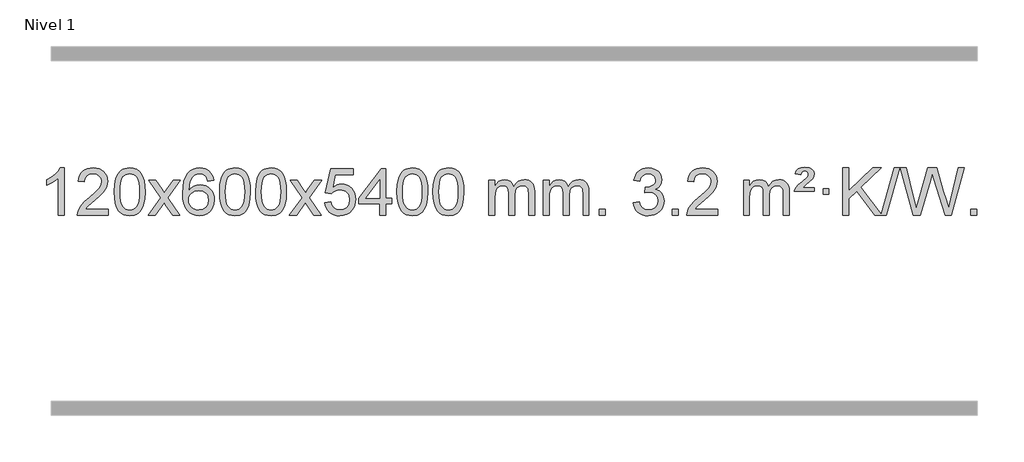
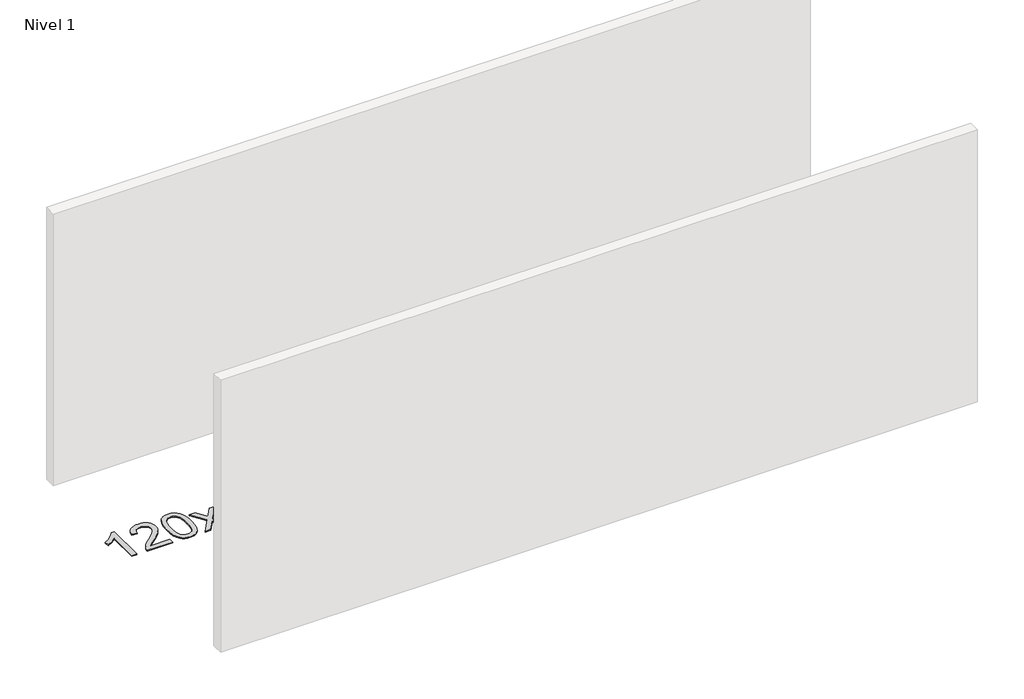
# One storey, part 12 of 21: 1 proxy.
"""IFC4 building model written with IfcOpenShell, lengths in millimetres."""

from ifc_helpers import new_model, si_unit, origin, origin_with_axes, place, context, project, spatial, polyline, outline, extrude, element, save

model = new_model("IFC4")

# Units and contexts
model_context = context("Model", 3, world=origin())
ifc_project = project(units=[si_unit("LENGTHUNIT", "METRE", prefix="MILLI")], contexts=[model_context])

# Site, building, storey
site = spatial("IfcSite", under=ifc_project)
building = spatial("IfcBuilding", under=site)
storey = spatial("IfcBuildingStorey", under=building, Name="Nivel 1", Elevation=0.0)

# Proxy
placement = place(None, origin())
element("IfcBuildingElementProxy", 1, Name="Texto de modelo 1", ObjectType="Texto de modelo 1", at=placement, inside=storey, context=model_context, shape_type="SweptSolid", body=[
    extrude(outline(polyline([(-121.6378538, -21555.579453), (-171.8660089, -21555.579453), (-171.8660089, -21242.4382987), (-192.8352826, -21259.3976587), (-219.4454136, -21276.3324932), (-272.3223191, -21301.6918254), (-272.3223191, -21254.2105225), (-232.8731065, -21232.7507395), (-198.6968691, -21207.219729), (-171.7556443, -21180.0700378), (-154.0114694, -21153.7542124), (-121.6378538, -21153.7542124), (-121.6378538, -21555.579453)])), origin_with_axes(), (0.0, 0.0, 1.0), 10.0),
    extrude(outline(polyline([(255.0733092, -21505.3512979), (255.0733092, -21555.579453), (-8.6245049, -21555.579453), (-7.5208589, -21537.8965918), (-3.2289023, -21520.9494945), (9.1564582, -21493.8856424), (27.2807778, -21467.6311307), (53.4985013, -21440.1503456), (90.1640735, -21409.4076736), (144.3653541, -21361.2641831), (176.8861225, -21325.7267824), (193.1465067, -21296.884834), (198.5666348, -21268.8277005), (193.453075, -21243.6768347), (178.1123958, -21222.7688747), (154.5311599, -21208.6789943), (124.6959301, -21203.9823675), (93.3646469, -21208.5686297), (69.0231215, -21222.3274163), (53.3145603, -21244.1796068), (47.8821695, -21273.0460807), (-2.3459855, -21266.7675613), (1.9735622, -21240.838012), (9.8309085, -21218.1826125), (21.2260533, -21198.8013627), (36.1589966, -21182.6942627), (54.2863819, -21170.0329907), (75.2648527, -21160.989225), (99.0944089, -21155.5629655), (125.7750506, -21153.7542124), (152.6948156, -21155.7653006), (176.6531306, -21161.7985654), (197.6499954, -21171.8540066), (215.6854103, -21185.9316242), (230.1707638, -21202.9890861), (240.5174449, -21221.9840598), (246.7254536, -21242.9165453), (248.7947898, -21265.7865427), (246.5629724, -21289.8092369), (239.8675201, -21313.4149983), (227.9849316, -21337.4254299), (210.1917058, -21362.6621347), (181.828004, -21392.7916701), (138.2339875, -21431.4805933), (80.4519888, -21479.795762), (57.7904579, -21505.3512979), (255.0733092, -21505.3512979)])), origin_with_axes(), (0.0, 0.0, 1.0), 10.0),
    extrude(outline(polyline([(305.3014643, -21357.9041943), (308.992547, -21293.5861588), (320.065795, -21242.2911459), (338.4108439, -21203.2343407), (350.2689068, -21188.0009605), (363.9173289, -21175.6309284), (379.4020952, -21166.0598651), (396.769191, -21159.2233914), (437.1503714, -21153.7542124), (468.1015099, -21156.991574), (495.8152869, -21166.7036586), (518.9918526, -21182.5103217), (536.3313573, -21204.0314184), (549.4279563, -21231.0830078), (559.8758049, -21263.4811488), (566.7184101, -21304.6226186), (568.9992784, -21357.9041943), (565.3449839, -21421.8543477), (554.3821005, -21473.0267333), (536.1474163, -21512.1203266), (524.3169444, -21527.3996922), (510.6777195, -21539.8341036), (495.174559, -21549.4695462), (477.7522809, -21556.3520052), (437.1503714, -21561.8579724), (409.4856453, -21559.4667394), (384.960179, -21552.2930405), (363.5739723, -21540.3368757), (345.3270254, -21523.5982449), (327.8158424, -21493.3399508), (315.3078546, -21455.6381776), (307.8030619, -21410.4929255), (305.3014643, -21357.9041943)]), holes=[polyline([(355.5296194, -21357.8060924), (357.0011473, -21401.4706195), (361.4157313, -21436.8148822), (368.7733712, -21463.8388804), (379.0740671, -21482.5426142), (391.533004, -21495.2682656), (405.365367, -21504.3580165), (420.5711561, -21509.8118671), (437.1503714, -21511.6298173), (453.7295866, -21509.8057357), (468.9353757, -21504.3334911), (482.7677388, -21495.2130833), (495.2266757, -21482.4445124), (505.5273715, -21463.7101217), (512.8850114, -21436.6922549), (517.2995954, -21401.3909118), (518.7711234, -21357.8060924), (517.3486463, -21315.2973278), (513.0812152, -21280.5753989), (505.9688299, -21253.6403055), (496.0114906, -21234.4920476), (483.7610201, -21221.1440625), (469.7692416, -21211.6097875), (454.0361549, -21205.8892225), (436.5617602, -21203.9823675), (420.068384, -21205.6623619), (405.1201123, -21210.7023452), (391.716945, -21219.1023175), (379.858882, -21230.8622786), (369.2148296, -21251.708925), (361.611935, -21279.8151094), (357.0501983, -21315.1808319), (355.5296194, -21357.8060924)])]), origin_with_axes(), (0.0, 0.0, 1.0), 10.0),
    extrude(outline(polyline([(594.113356, -21555.579453), (701.4367967, -21407.2494325), (600.3918754, -21260.4890419), (660.8226244, -21260.4890419), (709.5792515, -21331.122385), (732.3388843, -21364.4770192), (752.0573592, -21337.2047007), (807.583015, -21260.4890419), (868.0137641, -21260.4890419), (761.8675458, -21407.2494325), (864.0896895, -21555.579453), (803.6589404, -21555.579453), (742.1490708, -21466.4048574), (730.8673563, -21450.1199477), (654.544105, -21555.579453), (594.113356, -21555.579453)])), origin_with_axes(), (0.0, 0.0, 1.0), 10.0),
    extrude(outline(polyline([(1152.9015812, -21260.4890419), (1102.6734261, -21266.7675613), (1094.5800222, -21241.874213), (1083.6416642, -21224.8780648), (1060.857506, -21209.2062918), (1033.3154073, -21203.9823675), (1009.9671633, -21207.0235253), (987.9923455, -21216.1469988), (969.1199991, -21235.3627017), (953.7057435, -21261.8134171), (943.2946831, -21299.227016), (939.4319221, -21351.3313693), (959.5795927, -21327.8237098), (983.7249143, -21311.2567573), (1010.5189863, -21301.434308), (1038.612908, -21298.1601582), (1062.7459669, -21300.398107), (1085.0150903, -21307.1119534), (1105.4202783, -21318.3016975), (1123.9615309, -21333.9673391), (1139.3696551, -21353.1769106), (1150.3754581, -21374.9984443), (1156.97894, -21399.4319401), (1159.1801006, -21426.4773982), (1155.0352967, -21462.4439945), (1142.6008853, -21495.786366), (1122.9069358, -21524.0642287), (1096.9835179, -21544.8372987), (1066.0078539, -21557.602804), (1031.1571662, -21561.8579724), (1001.2146375, -21559.0375437), (974.1722452, -21550.5762579), (950.0299893, -21536.4741147), (928.7878697, -21516.7311143), (911.4698248, -21490.5133908), (899.0997927, -21456.9870783), (891.6777734, -21416.1521768), (889.203767, -21368.0086864), (891.9506193, -21314.0342663), (900.191176, -21267.9693092), (913.9254371, -21229.8138149), (933.1534027, -21199.5677835), (953.9939177, -21179.5243462), (978.1576335, -21165.2076052), (1005.6445499, -21156.6175606), (1036.454667, -21153.7542124), (1059.5883131, -21155.5261773), (1080.52693, -21160.8420722), (1099.2705176, -21169.7018969), (1115.8190761, -21182.1056515), (1129.7250155, -21197.6364031), (1140.5407461, -21215.8772186), (1148.266268, -21236.8280983), (1152.9015812, -21260.4890419)]), holes=[polyline([(939.4319221, -21425.6925832), (942.3381899, -21447.9494439), (951.0569932, -21469.2007605), (964.5950506, -21487.472233), (981.9590807, -21500.7895612), (1002.9160917, -21508.9197533), (1027.2330916, -21511.6298173), (1060.3792594, -21506.0134855), (1074.2943959, -21498.9930708), (1086.4375674, -21489.1644901), (1096.2876078, -21476.9262824), (1103.323351, -21462.6769865), (1108.9519455, -21428.1451299), (1103.3969274, -21394.9989621), (1096.4531547, -21381.3781312), (1086.731873, -21369.725469), (1074.5519133, -21360.3904634), (1060.2321066, -21353.7226022), (1025.1729524, -21348.3883133), (992.0758356, -21353.7226022), (964.3988468, -21369.725469), (953.4758173, -21381.2248471), (945.6736533, -21394.3858254), (940.9923549, -21409.2084042), (939.4319221, -21425.6925832)])]), origin_with_axes(), (0.0, 0.0, 1.0), 10.0),
    extrude(outline(polyline([(1203.1297362, -21357.9041943), (1206.8208189, -21293.5861588), (1217.894067, -21242.2911459), (1236.2391158, -21203.2343407), (1248.0971788, -21188.0009605), (1261.7456008, -21175.6309284), (1277.2303671, -21166.0598651), (1294.597463, -21159.2233914), (1334.9786433, -21153.7542124), (1365.9297818, -21156.991574), (1393.6435588, -21166.7036586), (1416.8201245, -21182.5103217), (1434.1596292, -21204.0314184), (1447.2562282, -21231.0830078), (1457.7040769, -21263.4811488), (1464.546682, -21304.6226186), (1466.8275504, -21357.9041943), (1463.1732559, -21421.8543477), (1452.2103725, -21473.0267333), (1433.9756882, -21512.1203266), (1422.1452164, -21527.3996922), (1408.5059914, -21539.8341036), (1393.002831, -21549.4695462), (1375.5805529, -21556.3520052), (1334.9786433, -21561.8579724), (1307.3139173, -21559.4667394), (1282.7884509, -21552.2930405), (1261.4022443, -21540.3368757), (1243.1552973, -21523.5982449), (1225.6441144, -21493.3399508), (1213.1361265, -21455.6381776), (1205.6313338, -21410.4929255), (1203.1297362, -21357.9041943)]), holes=[polyline([(1253.3578913, -21357.8060924), (1254.8294193, -21401.4706195), (1259.2440032, -21436.8148822), (1266.6016432, -21463.8388804), (1276.902339, -21482.5426142), (1289.3612759, -21495.2682656), (1303.1936389, -21504.3580165), (1318.3994281, -21509.8118671), (1334.9786433, -21511.6298173), (1351.5578586, -21509.8057357), (1366.7636477, -21504.3334911), (1380.5960107, -21495.2130833), (1393.0549476, -21482.4445124), (1403.3556435, -21463.7101217), (1410.7132834, -21436.6922549), (1415.1278673, -21401.3909118), (1416.5993953, -21357.8060924), (1415.1769183, -21315.2973278), (1410.9094871, -21280.5753989), (1403.7971019, -21253.6403055), (1393.8397625, -21234.4920476), (1381.5892921, -21221.1440625), (1367.5975136, -21211.6097875), (1351.8644269, -21205.8892225), (1334.3900321, -21203.9823675), (1317.896656, -21205.6623619), (1302.9483843, -21210.7023452), (1289.5452169, -21219.1023175), (1277.6871539, -21230.8622786), (1267.0431015, -21251.708925), (1259.440207, -21279.8151094), (1254.8784702, -21315.1808319), (1253.3578913, -21357.8060924)])]), origin_with_axes(), (0.0, 0.0, 1.0), 10.0),
    extrude(outline(polyline([(1510.7771861, -21357.9041943), (1514.4682688, -21293.5861588), (1525.5415168, -21242.2911459), (1543.8865656, -21203.2343407), (1555.7446286, -21188.0009605), (1569.3930506, -21175.6309284), (1584.877817, -21166.0598651), (1602.2449128, -21159.2233914), (1642.6260932, -21153.7542124), (1673.5772317, -21156.991574), (1701.2910087, -21166.7036586), (1724.4675743, -21182.5103217), (1741.8070791, -21204.0314184), (1754.9036781, -21231.0830078), (1765.3515267, -21263.4811488), (1772.1941319, -21304.6226186), (1774.4750002, -21357.9041943), (1770.8207057, -21421.8543477), (1759.8578223, -21473.0267333), (1741.6231381, -21512.1203266), (1729.7926662, -21527.3996922), (1716.1534413, -21539.8341036), (1700.6502808, -21549.4695462), (1683.2280027, -21556.3520052), (1642.6260932, -21561.8579724), (1614.9613671, -21559.4667394), (1590.4359008, -21552.2930405), (1569.0496941, -21540.3368757), (1550.8027472, -21523.5982449), (1533.2915642, -21493.3399508), (1520.7835764, -21455.6381776), (1513.2787836, -21410.4929255), (1510.7771861, -21357.9041943)]), holes=[polyline([(1561.0053412, -21357.8060924), (1562.4768691, -21401.4706195), (1566.8914531, -21436.8148822), (1574.249093, -21463.8388804), (1584.5497888, -21482.5426142), (1597.0087258, -21495.2682656), (1610.8410888, -21504.3580165), (1626.0468779, -21509.8118671), (1642.6260932, -21511.6298173), (1659.2053084, -21509.8057357), (1674.4110975, -21504.3334911), (1688.2434606, -21495.2130833), (1700.7023975, -21482.4445124), (1711.0030933, -21463.7101217), (1718.3607332, -21436.6922549), (1722.7753172, -21401.3909118), (1724.2468452, -21357.8060924), (1722.8243681, -21315.2973278), (1718.556937, -21280.5753989), (1711.4445517, -21253.6403055), (1701.4872124, -21234.4920476), (1689.2367419, -21221.1440625), (1675.2449634, -21211.6097875), (1659.5118767, -21205.8892225), (1642.037482, -21203.9823675), (1625.5441058, -21205.6623619), (1610.5958341, -21210.7023452), (1597.1926667, -21219.1023175), (1585.3346038, -21230.8622786), (1574.6905514, -21251.708925), (1567.0876568, -21279.8151094), (1562.5259201, -21315.1808319), (1561.0053412, -21357.8060924)])]), origin_with_axes(), (0.0, 0.0, 1.0), 10.0),
    extrude(outline(polyline([(1799.5890778, -21555.579453), (1906.9125185, -21407.2494325), (1805.8675971, -21260.4890419), (1866.2983462, -21260.4890419), (1915.0549733, -21331.122385), (1937.8146061, -21364.4770192), (1957.533081, -21337.2047007), (2013.0587368, -21260.4890419), (2073.4894859, -21260.4890419), (1967.3432676, -21407.2494325), (2069.5654113, -21555.579453), (2009.1346622, -21555.579453), (1947.6247926, -21466.4048574), (1936.3430781, -21450.1199477), (1860.0198268, -21555.579453), (1799.5890778, -21555.579453)])), origin_with_axes(), (0.0, 0.0, 1.0), 10.0),
    extrude(outline(polyline([(2100.9580082, -21448.8446235), (2151.1861633, -21442.5661041), (2160.4077386, -21472.7201649), (2176.4964446, -21494.3148381), (2199.3787047, -21507.3010725), (2228.9809425, -21511.6298173), (2248.1108063, -21510.1245668), (2264.9843271, -21505.6088153), (2279.6015051, -21498.0825628), (2291.9623401, -21487.5458094), (2301.7909207, -21474.519721), (2308.8113355, -21459.5254641), (2314.4276673, -21423.6324441), (2309.1669547, -21389.8363514), (2302.5910641, -21375.9181493), (2293.3848172, -21363.9865099), (2281.5175571, -21354.4154467), (2266.9586272, -21347.5789729), (2229.7657575, -21342.1097939), (2205.3997066, -21344.2925604), (2185.668969, -21350.8408599), (2169.9113568, -21360.8717757), (2157.4646827, -21373.5023908), (2107.2365276, -21367.2238715), (2151.1861633, -21160.0327318), (2345.8202642, -21160.0327318), (2345.8202642, -21210.2608869), (2191.8003356, -21210.2608869), (2170.316027, -21320.919791), (2188.0418078, -21308.2155994), (2206.1967843, -21299.1411769), (2224.7809564, -21293.6965234), (2243.7943242, -21291.8816388), (2268.2554112, -21294.1318504), (2290.7238041, -21300.882485), (2311.1995028, -21312.1335427), (2329.6825073, -21327.8850234), (2344.9833327, -21347.1743027), (2355.9124936, -21369.038756), (2362.4699902, -21393.4783832), (2364.6558224, -21420.4931844), (2362.6876537, -21446.5147042), (2356.7831477, -21470.7213394), (2346.9423043, -21493.1130902), (2333.1651236, -21513.6899565), (2312.2939517, -21534.7634634), (2287.9401636, -21549.8159684), (2260.1037593, -21558.8474714), (2228.7847388, -21561.8579724), (2202.8643866, -21559.9235262), (2179.4517632, -21554.1201877), (2158.5468689, -21544.447957), (2140.1497034, -21530.9068338), (2124.8427467, -21514.1712688), (2113.2084787, -21494.915712), (2105.2468991, -21473.1401636), (2100.9580082, -21448.8446235)])), origin_with_axes(), (0.0, 0.0, 1.0), 10.0),
    extrude(outline(polyline([(2571.846962, -21555.579453), (2571.846962, -21461.4016622), (2389.7698999, -21461.4016622), (2389.7698999, -21411.1735072), (2584.4040008, -21160.0327318), (2622.0751171, -21160.0327318), (2622.0751171, -21411.1735072), (2672.3032722, -21411.1735072), (2672.3032722, -21461.4016622), (2622.0751171, -21461.4016622), (2622.0751171, -21555.579453), (2571.846962, -21555.579453)]), holes=[polyline([(2571.846962, -21411.1735072), (2571.846962, -21255.9763561), (2451.5740751, -21411.1735072), (2571.846962, -21411.1735072)])]), origin_with_axes(), (0.0, 0.0, 1.0), 10.0),
    extrude(outline(polyline([(2716.2529079, -21357.9041943), (2719.9439906, -21293.5861588), (2731.0172386, -21242.2911459), (2749.3622874, -21203.2343407), (2761.2203504, -21188.0009605), (2774.8687724, -21175.6309284), (2790.3535388, -21166.0598651), (2807.7206346, -21159.2233914), (2848.1018149, -21153.7542124), (2879.0529535, -21156.991574), (2906.7667304, -21166.7036586), (2929.9432961, -21182.5103217), (2947.2828008, -21204.0314184), (2960.3793999, -21231.0830078), (2970.8272485, -21263.4811488), (2977.6698537, -21304.6226186), (2979.950722, -21357.9041943), (2976.2964275, -21421.8543477), (2965.3335441, -21473.0267333), (2947.0988599, -21512.1203266), (2935.268388, -21527.3996922), (2921.6291631, -21539.8341036), (2906.1260026, -21549.4695462), (2888.7037245, -21556.3520052), (2848.1018149, -21561.8579724), (2820.4370889, -21559.4667394), (2795.9116226, -21552.2930405), (2774.5254159, -21540.3368757), (2756.278469, -21523.5982449), (2738.767286, -21493.3399508), (2726.2592981, -21455.6381776), (2718.7545054, -21410.4929255), (2716.2529079, -21357.9041943)]), holes=[polyline([(2766.481063, -21357.8060924), (2767.9525909, -21401.4706195), (2772.3671749, -21436.8148822), (2779.7248148, -21463.8388804), (2790.0255106, -21482.5426142), (2802.4844475, -21495.2682656), (2816.3168106, -21504.3580165), (2831.5225997, -21509.8118671), (2848.1018149, -21511.6298173), (2864.6810302, -21509.8057357), (2879.8868193, -21504.3334911), (2893.7191824, -21495.2130833), (2906.1781193, -21482.4445124), (2916.4788151, -21463.7101217), (2923.836455, -21436.6922549), (2928.251039, -21401.3909118), (2929.7225669, -21357.8060924), (2928.3000899, -21315.2973278), (2924.0326588, -21280.5753989), (2916.9202735, -21253.6403055), (2906.9629342, -21234.4920476), (2894.7124637, -21221.1440625), (2880.7206852, -21211.6097875), (2864.9875985, -21205.8892225), (2847.5132038, -21203.9823675), (2831.0198276, -21205.6623619), (2816.0715559, -21210.7023452), (2802.6683885, -21219.1023175), (2790.8103256, -21230.8622786), (2780.1662732, -21251.708925), (2772.5633786, -21279.8151094), (2768.0016419, -21315.1808319), (2766.481063, -21357.8060924)])]), origin_with_axes(), (0.0, 0.0, 1.0), 10.0),
    extrude(outline(polyline([(3023.9003577, -21357.9041943), (3027.5914404, -21293.5861588), (3038.6646885, -21242.2911459), (3057.0097373, -21203.2343407), (3068.8678003, -21188.0009605), (3082.5162223, -21175.6309284), (3098.0009886, -21166.0598651), (3115.3680844, -21159.2233914), (3155.7492648, -21153.7542124), (3186.7004033, -21156.991574), (3214.4141803, -21166.7036586), (3237.590746, -21182.5103217), (3254.9302507, -21204.0314184), (3268.0268497, -21231.0830078), (3278.4746984, -21263.4811488), (3285.3173035, -21304.6226186), (3287.5981719, -21357.9041943), (3283.9438774, -21421.8543477), (3272.9809939, -21473.0267333), (3254.7463097, -21512.1203266), (3242.9158379, -21527.3996922), (3229.2766129, -21539.8341036), (3213.7734525, -21549.4695462), (3196.3511743, -21556.3520052), (3155.7492648, -21561.8579724), (3128.0845387, -21559.4667394), (3103.5590724, -21552.2930405), (3082.1728657, -21540.3368757), (3063.9259188, -21523.5982449), (3046.4147358, -21493.3399508), (3033.906748, -21455.6381776), (3026.4019553, -21410.4929255), (3023.9003577, -21357.9041943)]), holes=[polyline([(3074.1285128, -21357.8060924), (3075.6000408, -21401.4706195), (3080.0146247, -21436.8148822), (3087.3722646, -21463.8388804), (3097.6729605, -21482.5426142), (3110.1318974, -21495.2682656), (3123.9642604, -21504.3580165), (3139.1700495, -21509.8118671), (3155.7492648, -21511.6298173), (3172.32848, -21509.8057357), (3187.5342692, -21504.3334911), (3201.3666322, -21495.2130833), (3213.8255691, -21482.4445124), (3224.126265, -21463.7101217), (3231.4839049, -21436.6922549), (3235.8984888, -21401.3909118), (3237.3700168, -21357.8060924), (3235.9475397, -21315.2973278), (3231.6801086, -21280.5753989), (3224.5677233, -21253.6403055), (3214.610384, -21234.4920476), (3202.3599136, -21221.1440625), (3188.368135, -21211.6097875), (3172.6350484, -21205.8892225), (3155.1606536, -21203.9823675), (3138.6672775, -21205.6623619), (3123.7190057, -21210.7023452), (3110.3158384, -21219.1023175), (3098.4577754, -21230.8622786), (3087.813723, -21251.708925), (3080.2108284, -21279.8151094), (3075.6490917, -21315.1808319), (3074.1285128, -21357.8060924)])]), origin_with_axes(), (0.0, 0.0, 1.0), 10.0),
    extrude(outline(polyline([(3501.0678309, -21555.579453), (3501.0678309, -21260.4890419), (3551.295986, -21260.4890419), (3551.295986, -21309.0494653), (3566.4036733, -21286.7435537), (3585.8278426, -21269.2691589), (3608.9063064, -21257.9751816), (3634.9768772, -21254.2105225), (3662.9113833, -21258.048758), (3685.3031341, -21269.5634645), (3702.0295022, -21287.9943524), (3712.9678601, -21312.5811324), (3731.2761208, -21287.0439906), (3752.1595554, -21268.803175), (3775.6181639, -21257.8586857), (3801.6519464, -21254.2105225), (3821.7597632, -21255.7280358), (3839.4089019, -21260.2805755), (3854.5993626, -21267.8681416), (3867.3311453, -21278.4907342), (3877.3957836, -21292.2709806), (3884.5848109, -21309.3315082), (3888.8982273, -21329.6723168), (3890.3360328, -21353.2934066), (3890.3360328, -21555.579453), (3840.1078777, -21555.579453), (3840.1078777, -21374.875817), (3838.942918, -21349.8230531), (3835.4480391, -21332.9372695), (3828.8997396, -21321.3735121), (3818.5745182, -21312.2868268), (3805.2939782, -21306.4007149), (3789.8797226, -21304.4386776), (3762.6687177, -21309.4663982), (3740.4854334, -21324.54956), (3731.8800604, -21336.1194488), (3725.7333654, -21350.7182326), (3720.8160094, -21389.0024856), (3720.8160094, -21555.579453), (3670.5878543, -21555.579453), (3670.5878543, -21369.2840106), (3667.6815865, -21340.8835206), (3658.9627833, -21320.6254854), (3643.6221041, -21308.4853796), (3620.8502086, -21304.4386776), (3601.4996156, -21307.1364789), (3583.6696016, -21315.2298828), (3568.9543218, -21328.5226856), (3558.9479315, -21346.8186835), (3553.2089724, -21372.2025411), (3551.295986, -21406.7589232), (3551.295986, -21555.579453), (3501.0678309, -21555.579453)])), origin_with_axes(), (0.0, 0.0, 1.0), 10.0),
    extrude(outline(polyline([(3965.6782654, -21555.579453), (3965.6782654, -21260.4890419), (4015.9064204, -21260.4890419), (4015.9064204, -21309.0494653), (4031.0141077, -21286.7435537), (4050.4382771, -21269.2691589), (4073.5167409, -21257.9751816), (4099.5873116, -21254.2105225), (4127.5218178, -21258.048758), (4149.9135685, -21269.5634645), (4166.6399366, -21287.9943524), (4177.5782946, -21312.5811324), (4195.8865552, -21287.0439906), (4216.7699898, -21268.803175), (4240.2285984, -21257.8586857), (4266.2623809, -21254.2105225), (4286.3701976, -21255.7280358), (4304.0193363, -21260.2805755), (4319.209797, -21267.8681416), (4331.9415798, -21278.4907342), (4342.006218, -21292.2709806), (4349.1952453, -21309.3315082), (4353.5086617, -21329.6723168), (4354.9464672, -21353.2934066), (4354.9464672, -21555.579453), (4304.7183121, -21555.579453), (4304.7183121, -21374.875817), (4303.5533525, -21349.8230531), (4300.0584735, -21332.9372695), (4293.510174, -21321.3735121), (4283.1849527, -21312.2868268), (4269.9044126, -21306.4007149), (4254.490157, -21304.4386776), (4227.2791521, -21309.4663982), (4205.0958678, -21324.54956), (4196.4904948, -21336.1194488), (4190.3437998, -21350.7182326), (4185.4264438, -21389.0024856), (4185.4264438, -21555.579453), (4135.1982887, -21555.579453), (4135.1982887, -21369.2840106), (4132.292021, -21340.8835206), (4123.5732177, -21320.6254854), (4108.2325385, -21308.4853796), (4085.460643, -21304.4386776), (4066.11005, -21307.1364789), (4048.280036, -21315.2298828), (4033.5647562, -21328.5226856), (4023.5583659, -21346.8186835), (4017.8194068, -21372.2025411), (4015.9064204, -21406.7589232), (4015.9064204, -21555.579453), (3965.6782654, -21555.579453)])), origin_with_axes(), (0.0, 0.0, 1.0), 10.0),
    extrude(outline(polyline([(4442.8457386, -21555.579453), (4442.8457386, -21505.3512979), (4493.0738936, -21505.3512979), (4493.0738936, -21555.579453), (4442.8457386, -21555.579453)])), origin_with_axes(), (0.0, 0.0, 1.0), 10.0),
    extrude(outline(polyline([(4731.6576303, -21448.8446235), (4781.8857853, -21442.5661041), (4793.1307116, -21474.1303793), (4809.5995623, -21495.4430095), (4832.1016777, -21507.5831154), (4861.4463982, -21511.6298173), (4895.8801529, -21506.0625364), (4910.1539743, -21499.1034354), (4922.4657584, -21489.3606939), (4939.4619066, -21464.4428201), (4945.1272893, -21434.2274455), (4939.5109575, -21405.5449126), (4922.6619621, -21382.2825078), (4897.1554772, -21366.8682522), (4865.5666765, -21361.730167), (4830.3481068, -21367.2238715), (4835.9399132, -21316.9957164), (4843.9842661, -21317.5843276), (4874.0770133, -21313.979084), (4900.9814499, -21303.1633534), (4912.054698, -21294.9841103), (4919.9641609, -21284.8673555), (4924.7098386, -21272.8130888), (4926.2917312, -21258.8213102), (4921.705469, -21237.1285352), (4907.9466823, -21219.5315131), (4886.9528832, -21207.8696539), (4860.6615832, -21203.9823675), (4834.3212324, -21207.9064421), (4812.7878729, -21219.6786659), (4797.067049, -21239.299039), (4788.1643047, -21266.7675613), (4737.9361496, -21260.4890419), (4743.8897066, -21236.5092672), (4752.7250058, -21215.3867093), (4764.4420474, -21197.1213683), (4779.0408312, -21181.713244), (4796.0615049, -21169.4811677), (4815.0442158, -21160.7439703), (4835.9889641, -21155.5016519), (4858.8957497, -21153.7542124), (4890.4722876, -21157.2000404), (4919.4736515, -21167.5375245), (4943.9255415, -21183.8469596), (4961.8536574, -21205.2086408), (4972.853329, -21229.8199463), (4976.5198862, -21255.8782543), (4973.03727, -21280.1584659), (4962.5894214, -21302.1823347), (4945.3234931, -21320.9443165), (4921.3866379, -21335.4388671), (4952.8282858, -21348.1430586), (4976.1274788, -21369.77452), (4990.548453, -21399.1560286), (4995.3554444, -21435.1103623), (4992.9519487, -21460.5923218), (4985.7414616, -21484.0631931), (4973.7239831, -21505.5229762), (4956.8995132, -21524.971671), (4936.4023547, -21541.1094278), (4913.3668104, -21552.636397), (4887.7928804, -21559.5525785), (4859.6805646, -21561.8579724), (4834.2721814, -21559.8898037), (4811.1201412, -21553.9852977), (4790.2244439, -21544.1444543), (4771.5850895, -21530.3672736), (4755.956236, -21513.4630959), (4744.0920417, -21494.2412617), (4735.9925064, -21472.7017708), (4731.6576303, -21448.8446235)])), origin_with_axes(), (0.0, 0.0, 1.0), 10.0),
    extrude(outline(polyline([(5064.4191576, -21555.579453), (5064.4191576, -21505.3512979), (5114.6473127, -21505.3512979), (5114.6473127, -21555.579453), (5064.4191576, -21555.579453)])), origin_with_axes(), (0.0, 0.0, 1.0), 10.0),
    extrude(outline(polyline([(5453.6873595, -21505.3512979), (5453.6873595, -21555.579453), (5189.9895453, -21555.579453), (5191.0931913, -21537.8965918), (5195.3851479, -21520.9494945), (5207.7705084, -21493.8856424), (5225.894828, -21467.6311307), (5252.1125516, -21440.1503456), (5288.7781237, -21409.4076736), (5342.9794044, -21361.2641831), (5375.5001727, -21325.7267824), (5391.7605569, -21296.884834), (5397.180685, -21268.8277005), (5392.0671253, -21243.6768347), (5376.7264461, -21222.7688747), (5353.1452102, -21208.6789943), (5323.3099804, -21203.9823675), (5291.9786971, -21208.5686297), (5267.6371718, -21222.3274163), (5251.9286106, -21244.1796068), (5246.4962198, -21273.0460807), (5196.2680647, -21266.7675613), (5200.5876125, -21240.838012), (5208.4449587, -21218.1826125), (5219.8401035, -21198.8013627), (5234.7730469, -21182.6942627), (5252.9004322, -21170.0329907), (5273.8789029, -21160.989225), (5297.7084592, -21155.5629655), (5324.3891009, -21153.7542124), (5351.3088659, -21155.7653006), (5375.2671808, -21161.7985654), (5396.2640457, -21171.8540066), (5414.2994605, -21185.9316242), (5428.7848141, -21202.9890861), (5439.1314952, -21221.9840598), (5445.3395038, -21242.9165453), (5447.4088401, -21265.7865427), (5445.1770226, -21289.8092369), (5438.4815703, -21313.4149983), (5426.5989819, -21337.4254299), (5408.805756, -21362.6621347), (5380.4420542, -21392.7916701), (5336.8480378, -21431.4805933), (5279.0660391, -21479.795762), (5256.4045082, -21505.3512979), (5453.6873595, -21505.3512979)])), origin_with_axes(), (0.0, 0.0, 1.0), 10.0),
    extrude(outline(polyline([(5673.4355379, -21555.579453), (5673.4355379, -21260.4890419), (5723.663693, -21260.4890419), (5723.663693, -21309.0494653), (5738.7713803, -21286.7435537), (5758.1955496, -21269.2691589), (5781.2740134, -21257.9751816), (5807.3445842, -21254.2105225), (5835.2790903, -21258.048758), (5857.6708411, -21269.5634645), (5874.3972091, -21287.9943524), (5885.3355671, -21312.5811324), (5903.6438278, -21287.0439906), (5924.5272623, -21268.803175), (5947.9858709, -21257.8586857), (5974.0196534, -21254.2105225), (5994.1274702, -21255.7280358), (6011.7766089, -21260.2805755), (6026.9670696, -21267.8681416), (6039.6988523, -21278.4907342), (6049.7634906, -21292.2709806), (6056.9525179, -21309.3315082), (6061.2659343, -21329.6723168), (6062.7037397, -21353.2934066), (6062.7037397, -21555.579453), (6012.4755847, -21555.579453), (6012.4755847, -21374.875817), (6011.310625, -21349.8230531), (6007.8157461, -21332.9372695), (6001.2674465, -21321.3735121), (5990.9422252, -21312.2868268), (5977.6616852, -21306.4007149), (5962.2474296, -21304.4386776), (5935.0364247, -21309.4663982), (5912.8531404, -21324.54956), (5904.2477674, -21336.1194488), (5898.1010724, -21350.7182326), (5893.1837164, -21389.0024856), (5893.1837164, -21555.579453), (5842.9555613, -21555.579453), (5842.9555613, -21369.2840106), (5840.0492935, -21340.8835206), (5831.3304902, -21320.6254854), (5815.989811, -21308.4853796), (5793.2179155, -21304.4386776), (5773.8673226, -21307.1364789), (5756.0373086, -21315.2298828), (5741.3220287, -21328.5226856), (5731.3156385, -21346.8186835), (5725.5766794, -21372.2025411), (5723.663693, -21406.7589232), (5723.663693, -21555.579453), (5673.4355379, -21555.579453)])), origin_with_axes(), (0.0, 0.0, 1.0), 10.0),
    extrude(outline(polyline([(6106.6533754, -21354.6668327), (6110.4793482, -21338.8479069), (6118.8180067, -21322.9799302), (6140.3268407, -21297.8413272), (6172.2835234, -21270.1030247), (6216.4293628, -21232.726214), (6223.5662735, -21221.1992448), (6225.9452437, -21209.3779701), (6224.0567828, -21197.2869152), (6218.3914001, -21187.5012541), (6209.022672, -21181.026531), (6196.0241748, -21178.8682899), (6183.5897634, -21180.4869707), (6174.73607, -21185.343013), (6168.3103978, -21194.8098431), (6163.1600499, -21210.2608869), (6112.9318948, -21203.9823675), (6123.7721509, -21178.7701881), (6140.4004171, -21161.2099542), (6164.165594, -21150.9092583), (6196.4165822, -21147.475693), (6232.1992376, -21151.6082341), (6256.9454332, -21164.0058573), (6271.3664074, -21182.3386434), (6276.1733988, -21204.2766731), (6272.0776459, -21227.1834586), (6259.7903873, -21248.8149199), (6239.262572, -21268.6314968), (6202.7932035, -21296.6886303), (6177.1886166, -21323.2742358), (6276.1733988, -21323.2742358), (6276.1733988, -21354.6668327), (6106.6533754, -21354.6668327)])), origin_with_axes(), (0.0, 0.0, 1.0), 10.0),
    extrude(outline(polyline([(6351.5156314, -21379.7809102), (6351.5156314, -21329.5527552), (6401.7437865, -21329.5527552), (6401.7437865, -21379.7809102), (6351.5156314, -21379.7809102)])), origin_with_axes(), (0.0, 0.0, 1.0), 10.0),
    extrude(outline(polyline([(6792.3854144, -21555.579453), (6638.954097, -21352.9009991), (6571.2638099, -21417.4520265), (6571.2638099, -21555.579453), (6521.0356548, -21555.579453), (6521.0356548, -21153.7542124), (6571.2638099, -21153.7542124), (6571.2638099, -21350.4484525), (6777.2777272, -21153.7542124), (6847.5186628, -21153.7542124), (6674.5650741, -21318.9577537), (6849.218684, -21549.5349332), (6960.5320117, -21153.7542124), (7005.8550735, -21153.7542124), (6892.8417246, -21555.579453), (6853.7971822, -21555.579453), (6847.5186628, -21555.579453), (6792.3854144, -21555.579453)])), origin_with_axes(), (0.0, 0.0, 1.0), 10.0),
    extrude(outline(polyline([(7120.3399504, -21555.579453), (7010.7601668, -21153.7542124), (7062.5579517, -21153.7542124), (7126.1279605, -21417.844434), (7145.7483335, -21499.3670841), (7166.7421327, -21427.2622131), (7246.4008474, -21153.7542124), (7321.056367, -21153.7542124), (7378.9364675, -21352.0180823), (7403.731714, -21425.5944814), (7422.0031864, -21499.3670841), (7441.0349483, -21420.1988788), (7505.1935683, -21153.7542124), (7556.9913532, -21153.7542124), (7447.3134677, -21555.579453), (7393.6517474, -21555.579453), (7297.3157155, -21245.5775584), (7283.87576, -21202.3146358), (7268.7680727, -21254.4067263), (7180.9669032, -21555.579453), (7120.3399504, -21555.579453)])), origin_with_axes(), (0.0, 0.0, 1.0), 10.0),
    extrude(outline(polyline([(7613.4980277, -21555.579453), (7613.4980277, -21505.3512979), (7663.7261827, -21505.3512979), (7663.7261827, -21555.579453), (7613.4980277, -21555.579453)])), origin_with_axes(), (0.0, 0.0, 1.0), 10.0),
])

save(model, "model.ifc")
